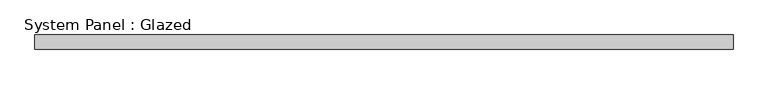
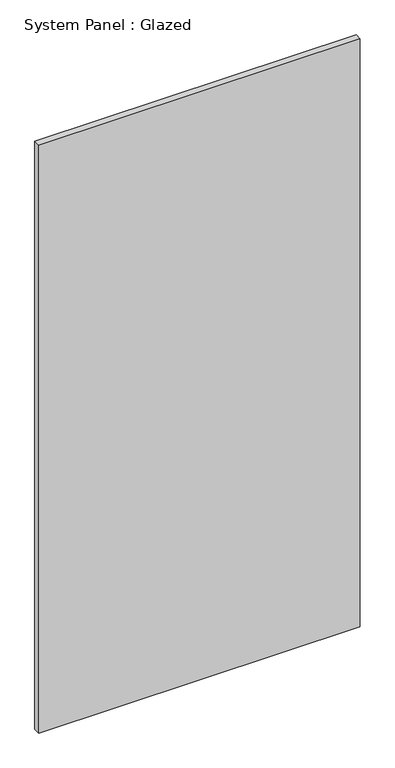
"""IFC4 building model written with IfcOpenShell, lengths in millimetres: plate geometry, System Panel : Glazed."""

from ifc_helpers import new_model, si_unit, origin, origin_with_axes, place, context, project, spatial, polyline, outline, extrude, source, transform, mapped, element, save


def system_panel_glazed_04ee403f(model_context):
    return source(origin(), model_context, "Body", "SweptSolid", [
        extrude(outline(polyline([(601.7988874, 24.5), (-601.7988874, 24.5), (-601.7988874, 49.5), (601.7988874, 49.5), (601.7988874, 24.5)])), origin_with_axes(), (0.0, 0.0, 1.0), 2325.0),
    ])


if __name__ == "__main__":
    model = new_model("IFC4")
    model_context = context("Model", 3, world=origin())
    ifc_project = project(units=[si_unit("LENGTHUNIT", "METRE", prefix="MILLI")], contexts=[model_context])
    site = spatial("IfcSite", under=ifc_project)
    building = spatial("IfcBuilding", under=site)
    placement = place(None, origin())
    system_panel_glazed_shape = system_panel_glazed_04ee403f(model_context)
    element("IfcPlate", 1, ObjectType="System Panel : Glazed", at=placement, inside=building, context=model_context, shape_type="MappedRepresentation", body=[
        mapped(system_panel_glazed_shape, transform((0.0, 0.0, 0.0), x_axis=(1.0, 0.0, 0.0), y_axis=(0.0, 1.0, 0.0), z_axis=(0.0, 0.0, 1.0))),
    ])
    save(model, "model.ifc")
